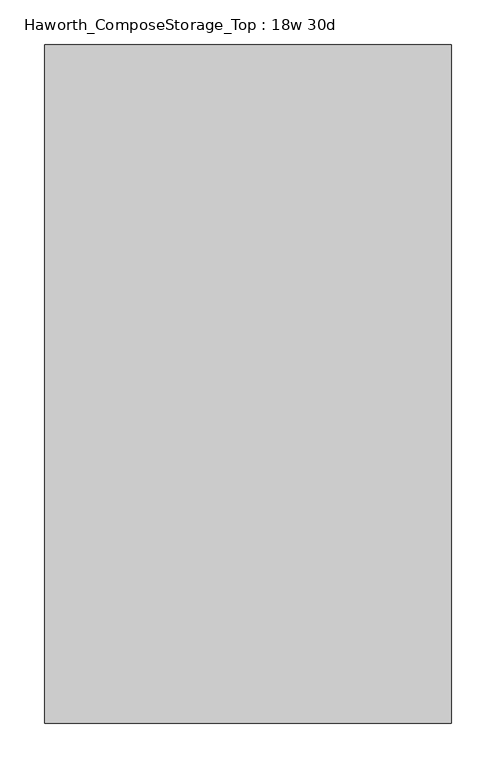
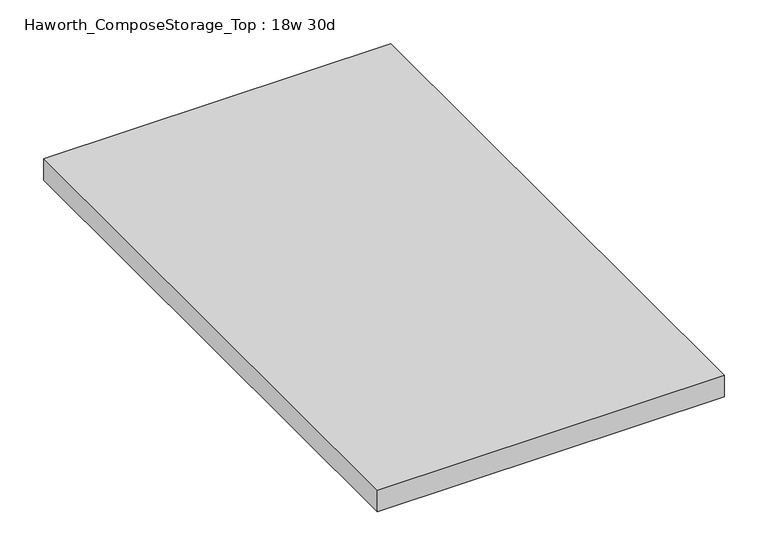
"""IFC4 building model written with IfcOpenShell, lengths in millimetres: furniture geometry, Haworth_ComposeStorage_Top : 18w 30d."""

from ifc_helpers import new_model, si_unit, frame, origin, place, context, project, spatial, polyline, outline, extrude, source, transform, mapped, element, save


def haworth_composestorage_top_18w_30d_0576cee3(model_context):
    return source(origin(), model_context, "Body", "SweptSolid", [
        extrude(outline(polyline([(228.6, 381.0), (228.6, -381.0), (-228.6, -381.0), (-228.6, 381.0), (228.6, 381.0)])), frame((0.0, 0.0, 706.4375), z_axis=(0.0, 0.0, 1.0), x_axis=(1.0, 0.0, 0.0)), (0.0, 0.0, 1.0), 30.1625),
    ])


if __name__ == "__main__":
    model = new_model("IFC4")
    model_context = context("Model", 3, world=origin())
    ifc_project = project(units=[si_unit("LENGTHUNIT", "METRE", prefix="MILLI")], contexts=[model_context])
    site = spatial("IfcSite", under=ifc_project)
    building = spatial("IfcBuilding", under=site)
    placement = place(None, origin())
    haworth_composestorage_top_18w_30d_shape = haworth_composestorage_top_18w_30d_0576cee3(model_context)
    element("IfcFurniture", 1, ObjectType="Haworth_ComposeStorage_Top : 18w 30d", at=placement, inside=building, context=model_context, shape_type="MappedRepresentation", body=[
        mapped(haworth_composestorage_top_18w_30d_shape, transform((0.0, 0.0, 0.0), x_axis=(1.0, 0.0, 0.0), y_axis=(0.0, 1.0, 0.0), z_axis=(0.0, 0.0, 1.0))),
    ])
    save(model, "model.ifc")
